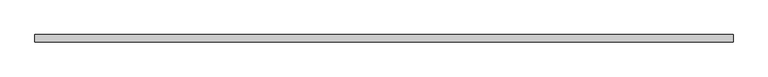
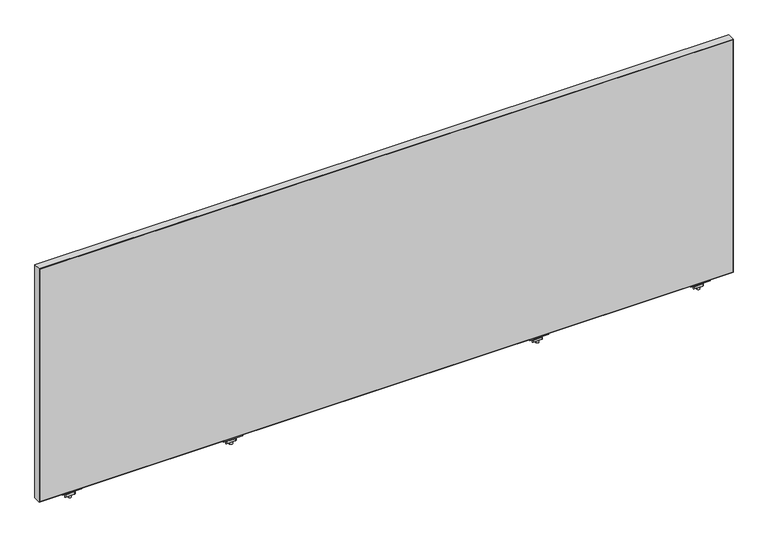
"""IFC4 building model written with IfcOpenShell, lengths in millimetres: furniture geometry."""

from ifc_helpers import new_model, si_unit, frame, origin, place, context, project, spatial, polyline, circle_curve, outline, extrude, source, transform, mapped, element, save
from ifc_brep_helpers import plane_surface, cylinder_surface, advanced_brep


def furniture_f090c730(model_context):
    return source(origin(), model_context, "Body", "SolidModel", [
        advanced_brep(
        [(536.8033004, -29.196837, 670.6616072), (536.8033004, -33.5530914, 671.3021931), (536.8033004, -43.8905804, 671.3021931), (536.8033004, -48.246837, 670.6616072), (536.8033004, -48.246837, 668.8074326), (536.8033004, -29.196837, 668.8074326), (486.0033035, -29.196837, 670.6616072), (486.0033035, -29.196837, 668.8074326), (486.0033035, -48.246837, 668.8074326), (486.0033035, -48.246837, 670.6616072), (486.0033035, -43.8905804, 671.3021931), (486.0033035, -33.5530914, 671.3021931), (507.3105233, -38.7342719, 668.8074326), (515.2934767, -38.7342719, 668.8074326), (515.2934767, -38.7342719, 671.3021931), (507.3105233, -38.7342719, 671.3021931), (507.3105233, -38.7342719, 650.2879234), (515.2934767, -38.7342719, 650.2879234), (507.3105233, -38.7342719, 676.3883652), (515.2934767, -38.7342719, 676.3883652), (507.3105233, -38.7342719, 665.4211567), (515.2934767, -38.7342719, 665.4211567), (515.2934767, -38.7342719, 659.0711809), (507.3105233, -38.7342719, 659.0711809), (500.9859918, -33.0068357, 665.4211567), (494.8268209, -43.6748356, 665.4211567), (496.1466433, -45.9608347, 665.4211567), (519.1792346, -45.9608347, 665.4211567), (521.8188771, -44.4368361, 665.4211567), (527.9780487, -33.7688351, 665.4211567), (526.6582256, -31.4828349, 665.4211567), (503.6256383, -31.4828349, 665.4211567), (500.9859918, -33.0068357, 659.0711809), (503.6256383, -31.4828349, 659.0711809), (526.6582256, -31.4828349, 659.0711809), (527.9780487, -33.7688351, 659.0711809), (521.8188771, -44.4368361, 659.0711809), (519.1792346, -45.9608347, 659.0711809), (496.1466433, -45.9608347, 659.0711809), (494.8268209, -43.6748356, 659.0711809)],
        [
            (0, 1),
            (1, 2),
            (2, 3),
            (3, 4),
            (4, 5),
            (5, 0),
            (6, 7),
            (7, 8),
            (8, 9),
            (9, 10),
            (10, 11),
            (11, 6),
            (5, 7),
            (6, 0),
            (4, 8),
            (12, 13, circle_curve(frame((511.302, -38.7342719, 668.8074326), z_axis=(0.0, 0.0, 1.0), x_axis=(1.0, 0.0, 0.0)), 3.9914767)),
            (13, 12, circle_curve(frame((511.302, -38.7342719, 668.8074326), z_axis=(0.0, 0.0, 1.0), x_axis=(1.0, 0.0, 0.0)), 3.9914767)),
            (3, 9),
            (2, 10),
            (1, 11),
            (14, 15, circle_curve(frame((511.302, -38.7342719, 671.3021931), z_axis=(0.0, 0.0, -1.0), x_axis=(1.0, 0.0, 0.0)), 3.9914767)),
            (15, 14, circle_curve(frame((511.302, -38.7342719, 671.3021931), z_axis=(0.0, 0.0, -1.0), x_axis=(1.0, 0.0, 0.0)), 3.9914767)),
            (16, 17, circle_curve(frame((511.302, -38.7342719, 650.2879234), z_axis=(0.0, 0.0, -1.0), x_axis=(1.0, 0.0, 0.0)), 3.9914767)),
            (17, 16, circle_curve(frame((511.302, -38.7342719, 650.2879234), z_axis=(0.0, 0.0, -1.0), x_axis=(1.0, 0.0, 0.0)), 3.9914767)),
            (18, 19, circle_curve(frame((511.302, -38.7342719, 676.3883652), z_axis=(0.0, 0.0, 1.0), x_axis=(1.0, 0.0, 0.0)), 3.9914767)),
            (19, 18, circle_curve(frame((511.302, -38.7342719, 676.3883652), z_axis=(0.0, 0.0, 1.0), x_axis=(1.0, 0.0, 0.0)), 3.9914767)),
            (12, 20),
            (20, 21, circle_curve(frame((511.302, -38.7342719, 665.4211567), z_axis=(0.0, 0.0, 1.0), x_axis=(1.0, 0.0, 0.0)), 3.9914767)),
            (21, 13),
            (17, 22),
            (22, 23, circle_curve(frame((511.302, -38.7342719, 659.0711809), z_axis=(0.0, 0.0, -1.0), x_axis=(1.0, 0.0, 0.0)), 3.9914767)),
            (23, 16),
            (18, 15),
            (14, 19),
            (21, 20, circle_curve(frame((511.302, -38.7342719, 665.4211567), z_axis=(0.0, 0.0, 1.0), x_axis=(1.0, 0.0, 0.0)), 3.9914767)),
            (23, 22, circle_curve(frame((511.302, -38.7342719, 659.0711809), z_axis=(0.0, 0.0, -1.0), x_axis=(1.0, 0.0, 0.0)), 3.9914767)),
            (24, 25),
            (25, 26, circle_curve(frame((496.1466433, -44.4368352, 665.4211567), z_axis=(0.0, 0.0, 1.0), x_axis=(1.0, 0.0, 0.0)), 1.5239995)),
            (26, 27),
            (27, 28, circle_curve(frame((519.1792346, -42.9128382, 665.4211567), z_axis=(0.0, 0.0, 1.0), x_axis=(1.0, 0.0, 0.0)), 3.0479965)),
            (28, 29),
            (29, 30, circle_curve(frame((526.6582256, -33.0068351, 665.4211567), z_axis=(0.0, 0.0, 1.0), x_axis=(1.0, 0.0, 0.0)), 1.5240003)),
            (30, 31),
            (31, 24, circle_curve(frame((503.6256383, -34.5308359, 665.4211567), z_axis=(0.0, 0.0, 1.0), x_axis=(1.0, 0.0, 0.0)), 3.048001)),
            (32, 33, circle_curve(frame((503.6256383, -34.5308359, 659.0711809), z_axis=(0.0, 0.0, -1.0), x_axis=(1.0, 0.0, 0.0)), 3.048001)),
            (33, 34),
            (34, 35, circle_curve(frame((526.6582256, -33.0068351, 659.0711809), z_axis=(0.0, 0.0, -1.0), x_axis=(1.0, 0.0, 0.0)), 1.5240003)),
            (35, 36),
            (36, 37, circle_curve(frame((519.1792346, -42.9128382, 659.0711809), z_axis=(0.0, 0.0, -1.0), x_axis=(1.0, 0.0, 0.0)), 3.0479965)),
            (37, 38),
            (38, 39, circle_curve(frame((496.1466433, -44.4368352, 659.0711809), z_axis=(0.0, 0.0, -1.0), x_axis=(1.0, 0.0, 0.0)), 1.5239995)),
            (39, 32),
            (24, 32),
            (39, 25),
            (38, 26),
            (37, 27),
            (36, 28),
            (35, 29),
            (34, 30),
            (33, 31),
        ],
        [
            plane_surface(frame((536.8033004, -33.5530914, 671.3021931), z_axis=(1.0000000000000002, 0.0, 0.0), x_axis=(0.0, -0.9893604345476915, 0.14548515577749913))),
            plane_surface(frame((486.0033035, -33.5530914, 671.3021931), z_axis=(-1.0000000000000002, 0.0, 0.0), x_axis=(0.0, 0.9893604345476915, -0.14548515577749913))),
            plane_surface(frame((536.8033004, -29.196837, 668.8074326), z_axis=(0.0, 1.0, 0.0), x_axis=(-1.0, 0.0, 0.0))),
            plane_surface(frame((536.8033004, -48.246837, 668.8074326), z_axis=(0.0, 0.0, -1.0), x_axis=(-1.0, 0.0, 0.0))),
            plane_surface(frame((536.8033004, -48.246837, 670.6616072), z_axis=(0.0, -1.0, 0.0), x_axis=(-1.0, 0.0, 0.0))),
            plane_surface(frame((536.8033004, -43.8905804, 671.3021931), z_axis=(0.0, -0.1454850815406733, 0.9893604454641917), x_axis=(-1.0, 0.0, 0.0))),
            plane_surface(frame((536.8033004, -33.5530914, 671.3021931), z_axis=(0.0, 0.0, 1.0), x_axis=(-1.0, 0.0, 0.0))),
            plane_surface(frame((536.8033004, -29.196837, 670.6616072), z_axis=(0.0, 0.14548515577749913, 0.9893604345476915), x_axis=(-1.0, 0.0, 0.0))),
            plane_surface(frame((515.2934767, -38.7342719, 650.2879234), z_axis=(0.0, 0.0, -1.0), x_axis=(0.0, -1.0, 0.0))),
            plane_surface(frame((515.2934767, -38.7342719, 676.3883652), z_axis=(0.0, 0.0, 1.0), x_axis=(0.0, 1.0, 0.0))),
            cylinder_surface(frame((511.302, -38.7342719, 650.2879234), z_axis=(0.0, 0.0, 1.0), x_axis=(1.0, 0.0, 0.0)), 3.9914767),
            plane_surface(frame((494.8268201, -43.6748369, 665.4211567), z_axis=(0.0, 0.0, 1.0000000000000002), x_axis=(-0.4999998964528706, -0.8660254635673935, 0.0))),
            plane_surface(frame((494.8268201, -43.6748369, 659.0711809), z_axis=(0.0, 0.0, -1.0000000000000002), x_axis=(0.4999998964528706, 0.8660254635673935, 0.0))),
            plane_surface(frame((500.9859918, -33.0068357, 665.4211567), z_axis=(-0.8660254635673935, 0.4999998964528706, 0.0), x_axis=(0.0, 0.0, -1.0))),
            cylinder_surface(frame((496.1466433, -44.4368352, 659.0711809), z_axis=(0.0, 0.0, 1.0), x_axis=(1.0, 0.0, 0.0)), 1.5239995),
            plane_surface(frame((496.1466433, -45.9608347, 665.4211567), z_axis=(0.0, -1.0, 0.0), x_axis=(0.0, 0.0, -1.0))),
            cylinder_surface(frame((519.1792346, -42.9128382, 659.0711809), z_axis=(0.0, 0.0, 1.0), x_axis=(1.0, 0.0, 0.0)), 3.0479965),
            plane_surface(frame((521.8188771, -44.4368361, 665.4211567), z_axis=(0.8660254635674228, -0.4999998964528197, 0.0), x_axis=(0.0, 0.0, -1.0))),
            cylinder_surface(frame((526.6582256, -33.0068351, 659.0711809), z_axis=(0.0, 0.0, 1.0), x_axis=(1.0, 0.0, 0.0)), 1.5240003),
            plane_surface(frame((526.6582256, -31.4828349, 665.4211567), z_axis=(0.0, 1.0, 0.0), x_axis=(0.0, 0.0, -1.0))),
            cylinder_surface(frame((503.6256383, -34.5308359, 659.0711809), z_axis=(0.0, 0.0, 1.0), x_axis=(1.0, 0.0, 0.0)), 3.048001),
        ],
        [
            (0, [[1, 2, 3, 4, 5, 6]]),
            (1, [[7, 8, 9, 10, 11, 12]]),
            (2, [[-6, 13, -7, 14]]),
            (3, [[-5, 15, -8, -13], [16, 17]]),
            (4, [[-4, 18, -9, -15]]),
            (5, [[-3, 19, -10, -18]]),
            (6, [[-2, 20, -11, -19], [21, 22]]),
            (7, [[-1, -14, -12, -20]]),
            (8, [[23, 24]]),
            (9, [[25, 26]]),
            (10, [[-16, 27, 28, 29]]),
            (10, [[-24, 30, 31, 32]]),
            (10, [[-25, 33, -21, 34]]),
            (10, [[-17, -29, 35, -27]]),
            (10, [[-23, -32, 36, -30]]),
            (10, [[-26, -34, -22, -33]]),
            (11, [[37, 38, 39, 40, 41, 42, 43, 44], [-28, -35]]),
            (12, [[45, 46, 47, 48, 49, 50, 51, 52], [-31, -36]]),
            (13, [[-37, 53, -52, 54]]),
            (14, [[-38, -54, -51, 55]]),
            (15, [[-39, -55, -50, 56]]),
            (16, [[-40, -56, -49, 57]]),
            (17, [[-41, -57, -48, 58]]),
            (18, [[-42, -58, -47, 59]]),
            (19, [[-43, -59, -46, 60]]),
            (20, [[-44, -60, -45, -53]]),
        ],
    ),
        advanced_brep(
        [(1766.6713004, -29.196837, 670.6616072), (1766.6713004, -33.5530914, 671.3021931), (1766.6713004, -43.8905804, 671.3021931), (1766.6713004, -48.246837, 670.6616072), (1766.6713004, -48.246837, 668.8074326), (1766.6713004, -29.196837, 668.8074326), (1715.8713035, -29.196837, 670.6616072), (1715.8713035, -29.196837, 668.8074326), (1715.8713035, -48.246837, 668.8074326), (1715.8713035, -48.246837, 670.6616072), (1715.8713035, -43.8905804, 671.3021931), (1715.8713035, -33.5530914, 671.3021931), (1737.1785233, -38.7342719, 668.8074326), (1745.1614767, -38.7342719, 668.8074326), (1745.1614767, -38.7342719, 671.3021931), (1737.1785233, -38.7342719, 671.3021931), (1737.1785233, -38.7342719, 650.2879234), (1745.1614767, -38.7342719, 650.2879234), (1737.1785233, -38.7342719, 676.3883652), (1745.1614767, -38.7342719, 676.3883652), (1737.1785233, -38.7342719, 665.4211567), (1745.1614767, -38.7342719, 665.4211567), (1745.1614767, -38.7342719, 659.0711809), (1737.1785233, -38.7342719, 659.0711809), (1730.8539918, -33.0068357, 665.4211567), (1724.6948209, -43.6748356, 665.4211567), (1726.0146433, -45.9608347, 665.4211567), (1749.0472346, -45.9608347, 665.4211567), (1751.6868771, -44.4368361, 665.4211567), (1757.8460487, -33.7688351, 665.4211567), (1756.5262256, -31.4828349, 665.4211567), (1733.4936383, -31.4828349, 665.4211567), (1730.8539918, -33.0068357, 659.0711809), (1733.4936383, -31.4828349, 659.0711809), (1756.5262256, -31.4828349, 659.0711809), (1757.8460487, -33.7688351, 659.0711809), (1751.6868771, -44.4368361, 659.0711809), (1749.0472346, -45.9608347, 659.0711809), (1726.0146433, -45.9608347, 659.0711809), (1724.6948209, -43.6748356, 659.0711809)],
        [
            (0, 1),
            (1, 2),
            (2, 3),
            (3, 4),
            (4, 5),
            (5, 0),
            (6, 7),
            (7, 8),
            (8, 9),
            (9, 10),
            (10, 11),
            (11, 6),
            (5, 7),
            (6, 0),
            (4, 8),
            (12, 13, circle_curve(frame((1741.17, -38.7342719, 668.8074326), z_axis=(0.0, 0.0, 1.0), x_axis=(1.0, 0.0, 0.0)), 3.9914767)),
            (13, 12, circle_curve(frame((1741.17, -38.7342719, 668.8074326), z_axis=(0.0, 0.0, 1.0), x_axis=(1.0, 0.0, 0.0)), 3.9914767)),
            (3, 9),
            (2, 10),
            (1, 11),
            (14, 15, circle_curve(frame((1741.17, -38.7342719, 671.3021931), z_axis=(0.0, 0.0, -1.0), x_axis=(1.0, 0.0, 0.0)), 3.9914767)),
            (15, 14, circle_curve(frame((1741.17, -38.7342719, 671.3021931), z_axis=(0.0, 0.0, -1.0), x_axis=(1.0, 0.0, 0.0)), 3.9914767)),
            (16, 17, circle_curve(frame((1741.17, -38.7342719, 650.2879234), z_axis=(0.0, 0.0, -1.0), x_axis=(1.0, 0.0, 0.0)), 3.9914767)),
            (17, 16, circle_curve(frame((1741.17, -38.7342719, 650.2879234), z_axis=(0.0, 0.0, -1.0), x_axis=(1.0, 0.0, 0.0)), 3.9914767)),
            (18, 19, circle_curve(frame((1741.17, -38.7342719, 676.3883652), z_axis=(0.0, 0.0, 1.0), x_axis=(1.0, 0.0, 0.0)), 3.9914767)),
            (19, 18, circle_curve(frame((1741.17, -38.7342719, 676.3883652), z_axis=(0.0, 0.0, 1.0), x_axis=(1.0, 0.0, 0.0)), 3.9914767)),
            (12, 20),
            (20, 21, circle_curve(frame((1741.17, -38.7342719, 665.4211567), z_axis=(0.0, 0.0, 1.0), x_axis=(1.0, 0.0, 0.0)), 3.9914767)),
            (21, 13),
            (17, 22),
            (22, 23, circle_curve(frame((1741.17, -38.7342719, 659.0711809), z_axis=(0.0, 0.0, -1.0), x_axis=(1.0, 0.0, 0.0)), 3.9914767)),
            (23, 16),
            (18, 15),
            (14, 19),
            (21, 20, circle_curve(frame((1741.17, -38.7342719, 665.4211567), z_axis=(0.0, 0.0, 1.0), x_axis=(1.0, 0.0, 0.0)), 3.9914767)),
            (23, 22, circle_curve(frame((1741.17, -38.7342719, 659.0711809), z_axis=(0.0, 0.0, -1.0), x_axis=(1.0, 0.0, 0.0)), 3.9914767)),
            (24, 25),
            (25, 26, circle_curve(frame((1726.0146433, -44.4368352, 665.4211567), z_axis=(0.0, 0.0, 1.0), x_axis=(1.0, 0.0, 0.0)), 1.5239995)),
            (26, 27),
            (27, 28, circle_curve(frame((1749.0472346, -42.9128382, 665.4211567), z_axis=(0.0, 0.0, 1.0), x_axis=(1.0, 0.0, 0.0)), 3.0479965)),
            (28, 29),
            (29, 30, circle_curve(frame((1756.5262256, -33.0068351, 665.4211567), z_axis=(0.0, 0.0, 1.0), x_axis=(1.0, 0.0, 0.0)), 1.5240003)),
            (30, 31),
            (31, 24, circle_curve(frame((1733.4936383, -34.5308359, 665.4211567), z_axis=(0.0, 0.0, 1.0), x_axis=(1.0, 0.0, 0.0)), 3.048001)),
            (32, 33, circle_curve(frame((1733.4936383, -34.5308359, 659.0711809), z_axis=(0.0, 0.0, -1.0), x_axis=(1.0, 0.0, 0.0)), 3.048001)),
            (33, 34),
            (34, 35, circle_curve(frame((1756.5262256, -33.0068351, 659.0711809), z_axis=(0.0, 0.0, -1.0), x_axis=(1.0, 0.0, 0.0)), 1.5240003)),
            (35, 36),
            (36, 37, circle_curve(frame((1749.0472346, -42.9128382, 659.0711809), z_axis=(0.0, 0.0, -1.0), x_axis=(1.0, 0.0, 0.0)), 3.0479965)),
            (37, 38),
            (38, 39, circle_curve(frame((1726.0146433, -44.4368352, 659.0711809), z_axis=(0.0, 0.0, -1.0), x_axis=(1.0, 0.0, 0.0)), 1.5239995)),
            (39, 32),
            (24, 32),
            (39, 25),
            (38, 26),
            (37, 27),
            (36, 28),
            (35, 29),
            (34, 30),
            (33, 31),
        ],
        [
            plane_surface(frame((1766.6713004, -33.5530914, 671.3021931), z_axis=(1.0000000000000002, 0.0, 0.0), x_axis=(0.0, -0.9893604345476915, 0.14548515577749913))),
            plane_surface(frame((1715.8713035, -33.5530914, 671.3021931), z_axis=(-1.0000000000000002, 0.0, 0.0), x_axis=(0.0, 0.9893604345476915, -0.14548515577749913))),
            plane_surface(frame((1766.6713004, -29.196837, 668.8074326), z_axis=(0.0, 1.0, 0.0), x_axis=(-1.0, 0.0, 0.0))),
            plane_surface(frame((1766.6713004, -48.246837, 668.8074326), z_axis=(0.0, 0.0, -1.0), x_axis=(-1.0, 0.0, 0.0))),
            plane_surface(frame((1766.6713004, -48.246837, 670.6616072), z_axis=(0.0, -1.0, 0.0), x_axis=(-1.0, 0.0, 0.0))),
            plane_surface(frame((1766.6713004, -43.8905804, 671.3021931), z_axis=(0.0, -0.1454850815406733, 0.9893604454641917), x_axis=(-1.0, 0.0, 0.0))),
            plane_surface(frame((1766.6713004, -33.5530914, 671.3021931), z_axis=(0.0, 0.0, 1.0), x_axis=(-1.0, 0.0, 0.0))),
            plane_surface(frame((1766.6713004, -29.196837, 670.6616072), z_axis=(0.0, 0.14548515577749913, 0.9893604345476915), x_axis=(-1.0, 0.0, 0.0))),
            plane_surface(frame((1745.1614767, -38.7342719, 650.2879234), z_axis=(0.0, 0.0, -1.0), x_axis=(0.0, -1.0, 0.0))),
            plane_surface(frame((1745.1614767, -38.7342719, 676.3883652), z_axis=(0.0, 0.0, 1.0), x_axis=(0.0, 1.0, 0.0))),
            cylinder_surface(frame((1741.17, -38.7342719, 650.2879234), z_axis=(0.0, 0.0, 1.0), x_axis=(1.0, 0.0, 0.0)), 3.9914767),
            plane_surface(frame((1724.6948201, -43.6748369, 665.4211567), z_axis=(0.0, 0.0, 1.0000000000000002), x_axis=(-0.4999998964528706, -0.8660254635673935, 0.0))),
            plane_surface(frame((1724.6948201, -43.6748369, 659.0711809), z_axis=(0.0, 0.0, -1.0000000000000002), x_axis=(0.4999998964528706, 0.8660254635673935, 0.0))),
            plane_surface(frame((1730.8539918, -33.0068357, 665.4211567), z_axis=(-0.8660254635673935, 0.4999998964528706, 0.0), x_axis=(0.0, 0.0, -1.0))),
            cylinder_surface(frame((1726.0146433, -44.4368352, 659.0711809), z_axis=(0.0, 0.0, 1.0), x_axis=(1.0, 0.0, 0.0)), 1.5239995),
            plane_surface(frame((1726.0146433, -45.9608347, 665.4211567), z_axis=(0.0, -1.0, 0.0), x_axis=(0.0, 0.0, -1.0))),
            cylinder_surface(frame((1749.0472346, -42.9128382, 659.0711809), z_axis=(0.0, 0.0, 1.0), x_axis=(1.0, 0.0, 0.0)), 3.0479965),
            plane_surface(frame((1751.6868771, -44.4368361, 665.4211567), z_axis=(0.8660254635674228, -0.4999998964528197, 0.0), x_axis=(0.0, 0.0, -1.0))),
            cylinder_surface(frame((1756.5262256, -33.0068351, 659.0711809), z_axis=(0.0, 0.0, 1.0), x_axis=(1.0, 0.0, 0.0)), 1.5240003),
            plane_surface(frame((1756.5262256, -31.4828349, 665.4211567), z_axis=(0.0, 1.0, 0.0), x_axis=(0.0, 0.0, -1.0))),
            cylinder_surface(frame((1733.4936383, -34.5308359, 659.0711809), z_axis=(0.0, 0.0, 1.0), x_axis=(1.0, 0.0, 0.0)), 3.048001),
        ],
        [
            (0, [[1, 2, 3, 4, 5, 6]]),
            (1, [[7, 8, 9, 10, 11, 12]]),
            (2, [[-6, 13, -7, 14]]),
            (3, [[-5, 15, -8, -13], [16, 17]]),
            (4, [[-4, 18, -9, -15]]),
            (5, [[-3, 19, -10, -18]]),
            (6, [[-2, 20, -11, -19], [21, 22]]),
            (7, [[-1, -14, -12, -20]]),
            (8, [[23, 24]]),
            (9, [[25, 26]]),
            (10, [[-16, 27, 28, 29]]),
            (10, [[-24, 30, 31, 32]]),
            (10, [[-25, 33, -21, 34]]),
            (10, [[-17, -29, 35, -27]]),
            (10, [[-23, -32, 36, -30]]),
            (10, [[-26, -34, -22, -33]]),
            (11, [[37, 38, 39, 40, 41, 42, 43, 44], [-28, -35]]),
            (12, [[45, 46, 47, 48, 49, 50, 51, 52], [-31, -36]]),
            (13, [[-37, 53, -52, 54]]),
            (14, [[-38, -54, -51, 55]]),
            (15, [[-39, -55, -50, 56]]),
            (16, [[-40, -56, -49, 57]]),
            (17, [[-41, -57, -48, 58]]),
            (18, [[-42, -58, -47, 59]]),
            (19, [[-43, -59, -46, 60]]),
            (20, [[-44, -60, -45, -53]]),
        ],
    ),
        advanced_brep(
        [(1342.9993004, -29.196837, 670.6616072), (1342.9993004, -33.5530914, 671.3021931), (1342.9993004, -43.8905804, 671.3021931), (1342.9993004, -48.246837, 670.6616072), (1342.9993004, -48.246837, 668.8074326), (1342.9993004, -29.196837, 668.8074326), (1292.1993035, -29.196837, 670.6616072), (1292.1993035, -29.196837, 668.8074326), (1292.1993035, -48.246837, 668.8074326), (1292.1993035, -48.246837, 670.6616072), (1292.1993035, -43.8905804, 671.3021931), (1292.1993035, -33.5530914, 671.3021931), (1313.5065233, -38.7342719, 668.8074326), (1321.4894767, -38.7342719, 668.8074326), (1321.4894767, -38.7342719, 671.3021931), (1313.5065233, -38.7342719, 671.3021931), (1313.5065233, -38.7342719, 650.2879234), (1321.4894767, -38.7342719, 650.2879234), (1313.5065233, -38.7342719, 676.3883652), (1321.4894767, -38.7342719, 676.3883652), (1313.5065233, -38.7342719, 665.4211567), (1321.4894767, -38.7342719, 665.4211567), (1321.4894767, -38.7342719, 659.0711809), (1313.5065233, -38.7342719, 659.0711809), (1307.1819918, -33.0068357, 665.4211567), (1301.0228209, -43.6748356, 665.4211567), (1302.3426433, -45.9608347, 665.4211567), (1325.3752346, -45.9608347, 665.4211567), (1328.0148771, -44.4368361, 665.4211567), (1334.1740487, -33.7688351, 665.4211567), (1332.8542256, -31.4828349, 665.4211567), (1309.8216383, -31.4828349, 665.4211567), (1307.1819918, -33.0068357, 659.0711809), (1309.8216383, -31.4828349, 659.0711809), (1332.8542256, -31.4828349, 659.0711809), (1334.1740487, -33.7688351, 659.0711809), (1328.0148771, -44.4368361, 659.0711809), (1325.3752346, -45.9608347, 659.0711809), (1302.3426433, -45.9608347, 659.0711809), (1301.0228209, -43.6748356, 659.0711809)],
        [
            (0, 1),
            (1, 2),
            (2, 3),
            (3, 4),
            (4, 5),
            (5, 0),
            (6, 7),
            (7, 8),
            (8, 9),
            (9, 10),
            (10, 11),
            (11, 6),
            (5, 7),
            (6, 0),
            (4, 8),
            (12, 13, circle_curve(frame((1317.498, -38.7342719, 668.8074326), z_axis=(0.0, 0.0, 1.0), x_axis=(1.0, 0.0, 0.0)), 3.9914767)),
            (13, 12, circle_curve(frame((1317.498, -38.7342719, 668.8074326), z_axis=(0.0, 0.0, 1.0), x_axis=(1.0, 0.0, 0.0)), 3.9914767)),
            (3, 9),
            (2, 10),
            (1, 11),
            (14, 15, circle_curve(frame((1317.498, -38.7342719, 671.3021931), z_axis=(0.0, 0.0, -1.0), x_axis=(1.0, 0.0, 0.0)), 3.9914767)),
            (15, 14, circle_curve(frame((1317.498, -38.7342719, 671.3021931), z_axis=(0.0, 0.0, -1.0), x_axis=(1.0, 0.0, 0.0)), 3.9914767)),
            (16, 17, circle_curve(frame((1317.498, -38.7342719, 650.2879234), z_axis=(0.0, 0.0, -1.0), x_axis=(1.0, 0.0, 0.0)), 3.9914767)),
            (17, 16, circle_curve(frame((1317.498, -38.7342719, 650.2879234), z_axis=(0.0, 0.0, -1.0), x_axis=(1.0, 0.0, 0.0)), 3.9914767)),
            (18, 19, circle_curve(frame((1317.498, -38.7342719, 676.3883652), z_axis=(0.0, 0.0, 1.0), x_axis=(1.0, 0.0, 0.0)), 3.9914767)),
            (19, 18, circle_curve(frame((1317.498, -38.7342719, 676.3883652), z_axis=(0.0, 0.0, 1.0), x_axis=(1.0, 0.0, 0.0)), 3.9914767)),
            (12, 20),
            (20, 21, circle_curve(frame((1317.498, -38.7342719, 665.4211567), z_axis=(0.0, 0.0, 1.0), x_axis=(1.0, 0.0, 0.0)), 3.9914767)),
            (21, 13),
            (17, 22),
            (22, 23, circle_curve(frame((1317.498, -38.7342719, 659.0711809), z_axis=(0.0, 0.0, -1.0), x_axis=(1.0, 0.0, 0.0)), 3.9914767)),
            (23, 16),
            (18, 15),
            (14, 19),
            (21, 20, circle_curve(frame((1317.498, -38.7342719, 665.4211567), z_axis=(0.0, 0.0, 1.0), x_axis=(1.0, 0.0, 0.0)), 3.9914767)),
            (23, 22, circle_curve(frame((1317.498, -38.7342719, 659.0711809), z_axis=(0.0, 0.0, -1.0), x_axis=(1.0, 0.0, 0.0)), 3.9914767)),
            (24, 25),
            (25, 26, circle_curve(frame((1302.3426433, -44.4368352, 665.4211567), z_axis=(0.0, 0.0, 1.0), x_axis=(1.0, 0.0, 0.0)), 1.5239995)),
            (26, 27),
            (27, 28, circle_curve(frame((1325.3752346, -42.9128382, 665.4211567), z_axis=(0.0, 0.0, 1.0), x_axis=(1.0, 0.0, 0.0)), 3.0479965)),
            (28, 29),
            (29, 30, circle_curve(frame((1332.8542256, -33.0068351, 665.4211567), z_axis=(0.0, 0.0, 1.0), x_axis=(1.0, 0.0, 0.0)), 1.5240003)),
            (30, 31),
            (31, 24, circle_curve(frame((1309.8216383, -34.5308359, 665.4211567), z_axis=(0.0, 0.0, 1.0), x_axis=(1.0, 0.0, 0.0)), 3.048001)),
            (32, 33, circle_curve(frame((1309.8216383, -34.5308359, 659.0711809), z_axis=(0.0, 0.0, -1.0), x_axis=(1.0, 0.0, 0.0)), 3.048001)),
            (33, 34),
            (34, 35, circle_curve(frame((1332.8542256, -33.0068351, 659.0711809), z_axis=(0.0, 0.0, -1.0), x_axis=(1.0, 0.0, 0.0)), 1.5240003)),
            (35, 36),
            (36, 37, circle_curve(frame((1325.3752346, -42.9128382, 659.0711809), z_axis=(0.0, 0.0, -1.0), x_axis=(1.0, 0.0, 0.0)), 3.0479965)),
            (37, 38),
            (38, 39, circle_curve(frame((1302.3426433, -44.4368352, 659.0711809), z_axis=(0.0, 0.0, -1.0), x_axis=(1.0, 0.0, 0.0)), 1.5239995)),
            (39, 32),
            (24, 32),
            (39, 25),
            (38, 26),
            (37, 27),
            (36, 28),
            (35, 29),
            (34, 30),
            (33, 31),
        ],
        [
            plane_surface(frame((1342.9993004, -33.5530914, 671.3021931), z_axis=(1.0000000000000002, 0.0, 0.0), x_axis=(0.0, -0.9893604345476915, 0.14548515577749913))),
            plane_surface(frame((1292.1993035, -33.5530914, 671.3021931), z_axis=(-1.0000000000000002, 0.0, 0.0), x_axis=(0.0, 0.9893604345476915, -0.14548515577749913))),
            plane_surface(frame((1342.9993004, -29.196837, 668.8074326), z_axis=(0.0, 1.0, 0.0), x_axis=(-1.0, 0.0, 0.0))),
            plane_surface(frame((1342.9993004, -48.246837, 668.8074326), z_axis=(0.0, 0.0, -1.0), x_axis=(-1.0, 0.0, 0.0))),
            plane_surface(frame((1342.9993004, -48.246837, 670.6616072), z_axis=(0.0, -1.0, 0.0), x_axis=(-1.0, 0.0, 0.0))),
            plane_surface(frame((1342.9993004, -43.8905804, 671.3021931), z_axis=(0.0, -0.1454850815406733, 0.9893604454641917), x_axis=(-1.0, 0.0, 0.0))),
            plane_surface(frame((1342.9993004, -33.5530914, 671.3021931), z_axis=(0.0, 0.0, 1.0), x_axis=(-1.0, 0.0, 0.0))),
            plane_surface(frame((1342.9993004, -29.196837, 670.6616072), z_axis=(0.0, 0.14548515577749913, 0.9893604345476915), x_axis=(-1.0, 0.0, 0.0))),
            plane_surface(frame((1321.4894767, -38.7342719, 650.2879234), z_axis=(0.0, 0.0, -1.0), x_axis=(0.0, -1.0, 0.0))),
            plane_surface(frame((1321.4894767, -38.7342719, 676.3883652), z_axis=(0.0, 0.0, 1.0), x_axis=(0.0, 1.0, 0.0))),
            cylinder_surface(frame((1317.498, -38.7342719, 650.2879234), z_axis=(0.0, 0.0, 1.0), x_axis=(1.0, 0.0, 0.0)), 3.9914767),
            plane_surface(frame((1301.0228201, -43.6748369, 665.4211567), z_axis=(0.0, 0.0, 1.0000000000000002), x_axis=(-0.4999998964528706, -0.8660254635673935, 0.0))),
            plane_surface(frame((1301.0228201, -43.6748369, 659.0711809), z_axis=(0.0, 0.0, -1.0000000000000002), x_axis=(0.4999998964528706, 0.8660254635673935, 0.0))),
            plane_surface(frame((1307.1819918, -33.0068357, 665.4211567), z_axis=(-0.8660254635673935, 0.4999998964528706, 0.0), x_axis=(0.0, 0.0, -1.0))),
            cylinder_surface(frame((1302.3426433, -44.4368352, 659.0711809), z_axis=(0.0, 0.0, 1.0), x_axis=(1.0, 0.0, 0.0)), 1.5239995),
            plane_surface(frame((1302.3426433, -45.9608347, 665.4211567), z_axis=(0.0, -1.0, 0.0), x_axis=(0.0, 0.0, -1.0))),
            cylinder_surface(frame((1325.3752346, -42.9128382, 659.0711809), z_axis=(0.0, 0.0, 1.0), x_axis=(1.0, 0.0, 0.0)), 3.0479965),
            plane_surface(frame((1328.0148771, -44.4368361, 665.4211567), z_axis=(0.8660254635674228, -0.4999998964528197, 0.0), x_axis=(0.0, 0.0, -1.0))),
            cylinder_surface(frame((1332.8542256, -33.0068351, 659.0711809), z_axis=(0.0, 0.0, 1.0), x_axis=(1.0, 0.0, 0.0)), 1.5240003),
            plane_surface(frame((1332.8542256, -31.4828349, 665.4211567), z_axis=(0.0, 1.0, 0.0), x_axis=(0.0, 0.0, -1.0))),
            cylinder_surface(frame((1309.8216383, -34.5308359, 659.0711809), z_axis=(0.0, 0.0, 1.0), x_axis=(1.0, 0.0, 0.0)), 3.048001),
        ],
        [
            (0, [[1, 2, 3, 4, 5, 6]]),
            (1, [[7, 8, 9, 10, 11, 12]]),
            (2, [[-6, 13, -7, 14]]),
            (3, [[-5, 15, -8, -13], [16, 17]]),
            (4, [[-4, 18, -9, -15]]),
            (5, [[-3, 19, -10, -18]]),
            (6, [[-2, 20, -11, -19], [21, 22]]),
            (7, [[-1, -14, -12, -20]]),
            (8, [[23, 24]]),
            (9, [[25, 26]]),
            (10, [[-16, 27, 28, 29]]),
            (10, [[-24, 30, 31, 32]]),
            (10, [[-25, 33, -21, 34]]),
            (10, [[-17, -29, 35, -27]]),
            (10, [[-23, -32, 36, -30]]),
            (10, [[-26, -34, -22, -33]]),
            (11, [[37, 38, 39, 40, 41, 42, 43, 44], [-28, -35]]),
            (12, [[45, 46, 47, 48, 49, 50, 51, 52], [-31, -36]]),
            (13, [[-37, 53, -52, 54]]),
            (14, [[-38, -54, -51, 55]]),
            (15, [[-39, -55, -50, 56]]),
            (16, [[-40, -56, -49, 57]]),
            (17, [[-41, -57, -48, 58]]),
            (18, [[-42, -58, -47, 59]]),
            (19, [[-43, -59, -46, 60]]),
            (20, [[-44, -60, -45, -53]]),
        ],
    ),
        advanced_brep(
        [(113.1313004, -29.196837, 670.6616072), (113.1313004, -33.5530914, 671.3021931), (113.1313004, -43.8905804, 671.3021931), (113.1313004, -48.246837, 670.6616072), (113.1313004, -48.246837, 668.8074326), (113.1313004, -29.196837, 668.8074326), (62.3313035, -29.196837, 670.6616072), (62.3313035, -29.196837, 668.8074326), (62.3313035, -48.246837, 668.8074326), (62.3313035, -48.246837, 670.6616072), (62.3313035, -43.8905804, 671.3021931), (62.3313035, -33.5530914, 671.3021931), (83.6385233, -38.7342719, 668.8074326), (91.6214767, -38.7342719, 668.8074326), (91.6214767, -38.7342719, 671.3021931), (83.6385233, -38.7342719, 671.3021931), (83.6385233, -38.7342719, 650.2879234), (91.6214767, -38.7342719, 650.2879234), (83.6385233, -38.7342719, 676.3883652), (91.6214767, -38.7342719, 676.3883652), (83.6385233, -38.7342719, 665.4211567), (91.6214767, -38.7342719, 665.4211567), (91.6214767, -38.7342719, 659.0711809), (83.6385233, -38.7342719, 659.0711809), (77.3139918, -33.0068357, 665.4211567), (71.1548209, -43.6748356, 665.4211567), (72.4746433, -45.9608347, 665.4211567), (95.5072346, -45.9608347, 665.4211567), (98.1468771, -44.4368361, 665.4211567), (104.3060487, -33.7688351, 665.4211567), (102.9862256, -31.4828349, 665.4211567), (79.9536383, -31.4828349, 665.4211567), (77.3139918, -33.0068357, 659.0711809), (79.9536383, -31.4828349, 659.0711809), (102.9862256, -31.4828349, 659.0711809), (104.3060487, -33.7688351, 659.0711809), (98.1468771, -44.4368361, 659.0711809), (95.5072346, -45.9608347, 659.0711809), (72.4746433, -45.9608347, 659.0711809), (71.1548209, -43.6748356, 659.0711809)],
        [
            (0, 1),
            (1, 2),
            (2, 3),
            (3, 4),
            (4, 5),
            (5, 0),
            (6, 7),
            (7, 8),
            (8, 9),
            (9, 10),
            (10, 11),
            (11, 6),
            (5, 7),
            (6, 0),
            (4, 8),
            (12, 13, circle_curve(frame((87.63, -38.7342719, 668.8074326), z_axis=(0.0, 0.0, 1.0), x_axis=(1.0, 0.0, 0.0)), 3.9914767)),
            (13, 12, circle_curve(frame((87.63, -38.7342719, 668.8074326), z_axis=(0.0, 0.0, 1.0), x_axis=(1.0, 0.0, 0.0)), 3.9914767)),
            (3, 9),
            (2, 10),
            (1, 11),
            (14, 15, circle_curve(frame((87.63, -38.7342719, 671.3021931), z_axis=(0.0, 0.0, -1.0), x_axis=(1.0, 0.0, 0.0)), 3.9914767)),
            (15, 14, circle_curve(frame((87.63, -38.7342719, 671.3021931), z_axis=(0.0, 0.0, -1.0), x_axis=(1.0, 0.0, 0.0)), 3.9914767)),
            (16, 17, circle_curve(frame((87.63, -38.7342719, 650.2879234), z_axis=(0.0, 0.0, -1.0), x_axis=(1.0, 0.0, 0.0)), 3.9914767)),
            (17, 16, circle_curve(frame((87.63, -38.7342719, 650.2879234), z_axis=(0.0, 0.0, -1.0), x_axis=(1.0, 0.0, 0.0)), 3.9914767)),
            (18, 19, circle_curve(frame((87.63, -38.7342719, 676.3883652), z_axis=(0.0, 0.0, 1.0), x_axis=(1.0, 0.0, 0.0)), 3.9914767)),
            (19, 18, circle_curve(frame((87.63, -38.7342719, 676.3883652), z_axis=(0.0, 0.0, 1.0), x_axis=(1.0, 0.0, 0.0)), 3.9914767)),
            (12, 20),
            (20, 21, circle_curve(frame((87.63, -38.7342719, 665.4211567), z_axis=(0.0, 0.0, 1.0), x_axis=(1.0, 0.0, 0.0)), 3.9914767)),
            (21, 13),
            (17, 22),
            (22, 23, circle_curve(frame((87.63, -38.7342719, 659.0711809), z_axis=(0.0, 0.0, -1.0), x_axis=(1.0, 0.0, 0.0)), 3.9914767)),
            (23, 16),
            (18, 15),
            (14, 19),
            (21, 20, circle_curve(frame((87.63, -38.7342719, 665.4211567), z_axis=(0.0, 0.0, 1.0), x_axis=(1.0, 0.0, 0.0)), 3.9914767)),
            (23, 22, circle_curve(frame((87.63, -38.7342719, 659.0711809), z_axis=(0.0, 0.0, -1.0), x_axis=(1.0, 0.0, 0.0)), 3.9914767)),
            (24, 25),
            (25, 26, circle_curve(frame((72.4746433, -44.4368352, 665.4211567), z_axis=(0.0, 0.0, 1.0), x_axis=(1.0, 0.0, 0.0)), 1.5239995)),
            (26, 27),
            (27, 28, circle_curve(frame((95.5072346, -42.9128382, 665.4211567), z_axis=(0.0, 0.0, 1.0), x_axis=(1.0, 0.0, 0.0)), 3.0479965)),
            (28, 29),
            (29, 30, circle_curve(frame((102.9862256, -33.0068351, 665.4211567), z_axis=(0.0, 0.0, 1.0), x_axis=(1.0, 0.0, 0.0)), 1.5240003)),
            (30, 31),
            (31, 24, circle_curve(frame((79.9536383, -34.5308359, 665.4211567), z_axis=(0.0, 0.0, 1.0), x_axis=(1.0, 0.0, 0.0)), 3.048001)),
            (32, 33, circle_curve(frame((79.9536383, -34.5308359, 659.0711809), z_axis=(0.0, 0.0, -1.0), x_axis=(1.0, 0.0, 0.0)), 3.048001)),
            (33, 34),
            (34, 35, circle_curve(frame((102.9862256, -33.0068351, 659.0711809), z_axis=(0.0, 0.0, -1.0), x_axis=(1.0, 0.0, 0.0)), 1.5240003)),
            (35, 36),
            (36, 37, circle_curve(frame((95.5072346, -42.9128382, 659.0711809), z_axis=(0.0, 0.0, -1.0), x_axis=(1.0, 0.0, 0.0)), 3.0479965)),
            (37, 38),
            (38, 39, circle_curve(frame((72.4746433, -44.4368352, 659.0711809), z_axis=(0.0, 0.0, -1.0), x_axis=(1.0, 0.0, 0.0)), 1.5239995)),
            (39, 32),
            (24, 32),
            (39, 25),
            (38, 26),
            (37, 27),
            (36, 28),
            (35, 29),
            (34, 30),
            (33, 31),
        ],
        [
            plane_surface(frame((113.1313004, -33.5530914, 671.3021931), z_axis=(1.0000000000000002, 0.0, 0.0), x_axis=(0.0, -0.9893604345476915, 0.14548515577749913))),
            plane_surface(frame((62.3313035, -33.5530914, 671.3021931), z_axis=(-1.0000000000000002, 0.0, 0.0), x_axis=(0.0, 0.9893604345476915, -0.14548515577749913))),
            plane_surface(frame((113.1313004, -29.196837, 668.8074326), z_axis=(0.0, 1.0, 0.0), x_axis=(-1.0, 0.0, 0.0))),
            plane_surface(frame((113.1313004, -48.246837, 668.8074326), z_axis=(0.0, 0.0, -1.0), x_axis=(-1.0, 0.0, 0.0))),
            plane_surface(frame((113.1313004, -48.246837, 670.6616072), z_axis=(0.0, -1.0, 0.0), x_axis=(-1.0, 0.0, 0.0))),
            plane_surface(frame((113.1313004, -43.8905804, 671.3021931), z_axis=(0.0, -0.1454850815406733, 0.9893604454641917), x_axis=(-1.0, 0.0, 0.0))),
            plane_surface(frame((113.1313004, -33.5530914, 671.3021931), z_axis=(0.0, 0.0, 1.0), x_axis=(-1.0, 0.0, 0.0))),
            plane_surface(frame((113.1313004, -29.196837, 670.6616072), z_axis=(0.0, 0.14548515577749913, 0.9893604345476915), x_axis=(-1.0, 0.0, 0.0))),
            plane_surface(frame((91.6214767, -38.7342719, 650.2879234), z_axis=(0.0, 0.0, -1.0), x_axis=(0.0, -1.0, 0.0))),
            plane_surface(frame((91.6214767, -38.7342719, 676.3883652), z_axis=(0.0, 0.0, 1.0), x_axis=(0.0, 1.0, 0.0))),
            cylinder_surface(frame((87.63, -38.7342719, 650.2879234), z_axis=(0.0, 0.0, 1.0), x_axis=(1.0, 0.0, 0.0)), 3.9914767),
            plane_surface(frame((71.1548201, -43.6748369, 665.4211567), z_axis=(0.0, 0.0, 1.0000000000000002), x_axis=(-0.4999998964528706, -0.8660254635673935, 0.0))),
            plane_surface(frame((71.1548201, -43.6748369, 659.0711809), z_axis=(0.0, 0.0, -1.0000000000000002), x_axis=(0.4999998964528706, 0.8660254635673935, 0.0))),
            plane_surface(frame((77.3139918, -33.0068357, 665.4211567), z_axis=(-0.8660254635673935, 0.4999998964528706, 0.0), x_axis=(0.0, 0.0, -1.0))),
            cylinder_surface(frame((72.4746433, -44.4368352, 659.0711809), z_axis=(0.0, 0.0, 1.0), x_axis=(1.0, 0.0, 0.0)), 1.5239995),
            plane_surface(frame((72.4746433, -45.9608347, 665.4211567), z_axis=(0.0, -1.0, 0.0), x_axis=(0.0, 0.0, -1.0))),
            cylinder_surface(frame((95.5072346, -42.9128382, 659.0711809), z_axis=(0.0, 0.0, 1.0), x_axis=(1.0, 0.0, 0.0)), 3.0479965),
            plane_surface(frame((98.1468771, -44.4368361, 665.4211567), z_axis=(0.8660254635674228, -0.4999998964528197, 0.0), x_axis=(0.0, 0.0, -1.0))),
            cylinder_surface(frame((102.9862256, -33.0068351, 659.0711809), z_axis=(0.0, 0.0, 1.0), x_axis=(1.0, 0.0, 0.0)), 1.5240003),
            plane_surface(frame((102.9862256, -31.4828349, 665.4211567), z_axis=(0.0, 1.0, 0.0), x_axis=(0.0, 0.0, -1.0))),
            cylinder_surface(frame((79.9536383, -34.5308359, 659.0711809), z_axis=(0.0, 0.0, 1.0), x_axis=(1.0, 0.0, 0.0)), 3.048001),
        ],
        [
            (0, [[1, 2, 3, 4, 5, 6]]),
            (1, [[7, 8, 9, 10, 11, 12]]),
            (2, [[-6, 13, -7, 14]]),
            (3, [[-5, 15, -8, -13], [16, 17]]),
            (4, [[-4, 18, -9, -15]]),
            (5, [[-3, 19, -10, -18]]),
            (6, [[-2, 20, -11, -19], [21, 22]]),
            (7, [[-1, -14, -12, -20]]),
            (8, [[23, 24]]),
            (9, [[25, 26]]),
            (10, [[-16, 27, 28, 29]]),
            (10, [[-24, 30, 31, 32]]),
            (10, [[-25, 33, -21, 34]]),
            (10, [[-17, -29, 35, -27]]),
            (10, [[-23, -32, 36, -30]]),
            (10, [[-26, -34, -22, -33]]),
            (11, [[37, 38, 39, 40, 41, 42, 43, 44], [-28, -35]]),
            (12, [[45, 46, 47, 48, 49, 50, 51, 52], [-31, -36]]),
            (13, [[-37, 53, -52, 54]]),
            (14, [[-38, -54, -51, 55]]),
            (15, [[-39, -55, -50, 56]]),
            (16, [[-40, -56, -49, 57]]),
            (17, [[-41, -57, -48, 58]]),
            (18, [[-42, -58, -47, 59]]),
            (19, [[-43, -59, -46, 60]]),
            (20, [[-44, -60, -45, -53]]),
        ],
    ),
        extrude(outline(polyline([(1826.2595291, -48.3869993), (2.54, -48.3869993), (2.54, -29.0829995), (1826.2595291, -29.0829995), (1826.2595291, -48.3869993)])), frame((0.0, 0.0, 672.3646292), z_axis=(0.0, 0.0, 1.0), x_axis=(1.0, 0.0, 0.0)), (0.0, 0.0, 1.0), 646.6839021),
        extrude(outline(polyline([(671.3486292, 1.524), (671.3486292, 1827.2755291), (1320.0645313, 1827.2755291), (1320.0645313, 1.524), (671.3486292, 1.524)]), holes=[polyline([(1319.0485313, 2.54), (1319.0485313, 1826.2595291), (672.3646292, 1826.2595291), (672.3646292, 2.54), (1319.0485313, 2.54)])]), frame((0.0, -48.3869993, 0.0), z_axis=(0.0, 1.0, 0.0), x_axis=(0.0, 0.0, 1.0)), (0.0, 0.0, 1.0), 19.3039998),
    ])


if __name__ == "__main__":
    model = new_model("IFC4")
    model_context = context("Model", 3, world=origin())
    ifc_project = project(units=[si_unit("LENGTHUNIT", "METRE", prefix="MILLI")], contexts=[model_context])
    site = spatial("IfcSite", under=ifc_project)
    building = spatial("IfcBuilding", under=site)
    placement = place(None, origin())
    furniture_shape = furniture_f090c730(model_context)
    element("IfcFurniture", 1, at=placement, inside=building, context=model_context, shape_type="MappedRepresentation", body=[
        mapped(furniture_shape, transform((0.0, 0.0, 0.0), x_axis=(1.0, 0.0, 0.0), y_axis=(0.0, 1.0, 0.0), z_axis=(0.0, 0.0, 1.0))),
    ])
    save(model, "model.ifc")
